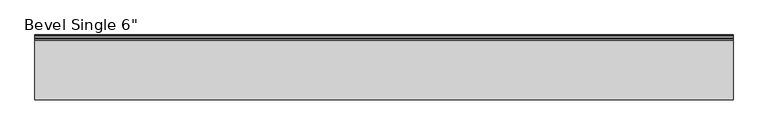
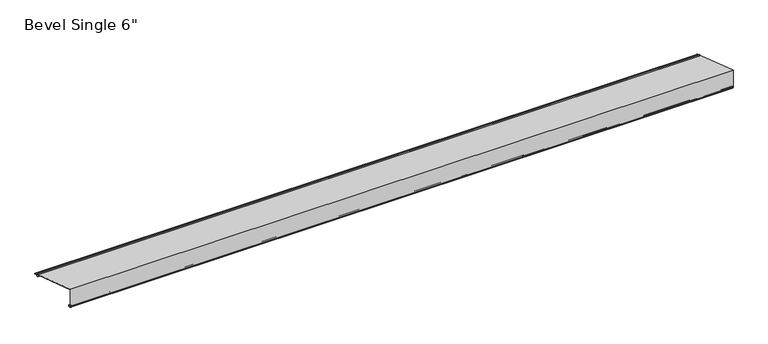
"""IFC4 building model written with IfcOpenShell, lengths in millimetres: proxy geometry."""

from ifc_helpers import new_model, si_unit, point, frame, frame_2d, origin, place, context, project, spatial, polyline, circle_curve, trimmed, segment, composite_curve, outline, extrude, source, transform, mapped, element, save


def proxy_77ff723f(model_context):
    return source(origin(), model_context, "Body", "SweptSolid", [
        extrude(outline(composite_curve([segment(polyline([(151.1859668, 7.1543053), (1.6200129, 56.9605985), (1.6200129, 11.1630642)]), True, "CONTINUOUS"), segment(trimmed(circle_curve(frame_2d((2.1200129, 11.1630642)), 0.5), [point((1.6200129, 11.1630642))], [point((2.1964288, 10.6689381))], True, "CARTESIAN"), True, "CONTINUOUS"), segment(trimmed(circle_curve(frame_2d((2.5444203, 8.4187313)), 2.276956), [point((2.1964288, 10.6689381))], [point((4.157149, 10.0261002))], False, "CARTESIAN"), True, "CONTINUOUS"), segment(trimmed(circle_curve(frame_2d((5.2143342, 10.9003627)), 1.3718511), [point((4.157149, 10.0261002))], [point((5.2143342, 9.5285116))], True, "CARTESIAN"), True, "CONTINUOUS"), segment(polyline([(5.2143342, 9.5285116), (6.1143342, 9.5285116)]), True, "CONTINUOUS"), segment(trimmed(circle_curve(frame_2d((6.1143342, 7.2990307)), 2.2294809), [point((6.1143342, 9.5285116))], [point((6.1143342, 5.0695499))], False, "CARTESIAN"), True, "CONTINUOUS"), segment(polyline([(6.1143342, 5.0695499), (2.2799682, 5.0695499)]), True, "CONTINUOUS"), segment(trimmed(circle_curve(frame_2d((2.2799682, 5.7406692)), 0.6711194), [point((2.2799682, 5.0695499))], [point((2.2799682, 6.4117885))], False, "CARTESIAN"), True, "CONTINUOUS"), segment(polyline([(2.2799682, 6.4117885), (6.1143342, 6.4117886)]), True, "CONTINUOUS"), segment(trimmed(circle_curve(frame_2d((6.1143342, 7.2990307)), 0.8872422), [point((6.1143342, 6.4117886))], [point((6.1143342, 8.1862729))], True, "CARTESIAN"), True, "CONTINUOUS"), segment(polyline([(6.1143342, 8.1862729), (5.042458, 8.186273)]), True, "CONTINUOUS"), segment(trimmed(circle_curve(frame_2d((5.042458, 10.580668)), 2.394395), [point((5.042458, 8.186273))], [point((3.5461213, 8.7114157))], False, "CARTESIAN"), True, "CONTINUOUS"), segment(trimmed(circle_curve(frame_2d((2.6087218, 7.5403983)), 1.4999999), [point((3.5461213, 8.7114157))], [point((1.5093122, 8.5608385))], True, "CARTESIAN"), True, "CONTINUOUS"), segment(trimmed(circle_curve(frame_2d((0.8709548, 9.1533434)), 0.8709548), [point((1.5093122, 8.5608385))], [point((0.0, 9.1533434))], False, "CARTESIAN"), True, "CONTINUOUS"), segment(polyline([(0.0, 9.1533434), (0.0, 59.2075351), (153.323369, 8.149994), (158.1312491, 8.1322106)]), True, "CONTINUOUS"), segment(trimmed(circle_curve(frame_2d((158.1312491, 7.3217688)), 0.8104417), [point((158.1312491, 8.1322106))], [point((158.1312491, 6.5113271))], False, "CARTESIAN"), True, "CONTINUOUS"), segment(polyline([(158.1312491, 6.5113271), (154.4097281, 6.5113271)]), True, "CONTINUOUS"), segment(trimmed(circle_curve(frame_2d((154.4097281, 5.8113271)), 0.7), [point((154.4097281, 6.5113271))], [point((153.7899441, 5.4859539))], True, "CARTESIAN"), True, "CONTINUOUS"), segment(polyline([(153.7899441, 5.4859539), (154.8458693, 3.4745844), (159.727488, 3.4745844), (160.2588473, 2.8682589), (166.0928283, 2.8682589), (166.8501267, 3.5037076), (167.8001267, 3.5037076)]), True, "CONTINUOUS"), segment(trimmed(circle_curve(frame_2d((167.8001267, 2.6787076)), 0.825), [point((167.8001267, 3.5037076))], [point((167.8001267, 1.8537076))], False, "CARTESIAN"), True, "CONTINUOUS"), segment(polyline([(167.8001267, 1.8537076), (153.9686657, 1.8537076), (151.1859668, 7.1543053)]), True, "CONTINUOUS")], self_intersect=False)), frame((0.0, 0.0, 0.0), z_axis=(1.0, 0.0, 0.0), x_axis=(0.0, 1.0, 0.0)), (0.0, 0.0, 1.0), 1815.546),
    ])


if __name__ == "__main__":
    model = new_model("IFC4")
    model_context = context("Model", 3, world=origin())
    ifc_project = project(units=[si_unit("LENGTHUNIT", "METRE", prefix="MILLI")], contexts=[model_context])
    site = spatial("IfcSite", under=ifc_project)
    building = spatial("IfcBuilding", under=site)
    placement = place(None, origin())
    proxy_shape = proxy_77ff723f(model_context)
    element("IfcBuildingElementProxy", 1, Name="Bevel Single 6\"", ObjectType="Bevel Single 6\"", at=placement, inside=building, context=model_context, shape_type="MappedRepresentation", body=[
        mapped(proxy_shape, transform((0.0, 0.0, 0.0), x_axis=(1.0, 0.0, 0.0), y_axis=(0.0, 1.0, 0.0), z_axis=(0.0, 0.0, 1.0))),
    ])
    save(model, "model.ifc")
